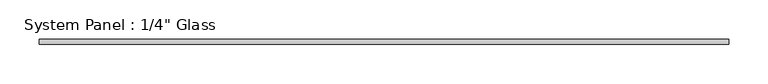
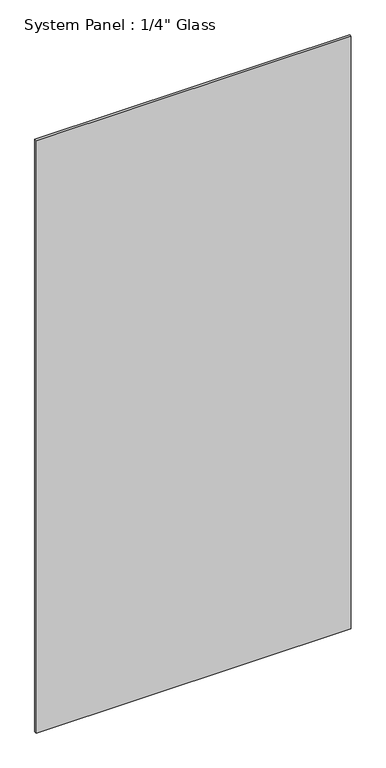
"""IFC4 building model written with IfcOpenShell, lengths in millimetres: plate geometry."""

from ifc_helpers import new_model, si_unit, origin, origin_with_axes, place, context, project, spatial, polyline, outline, extrude, source, transform, mapped, element, save


def plate_467597c5(model_context):
    return source(origin(), model_context, "Body", "SweptSolid", [
        extrude(outline(polyline([(437.8349054, -3.175), (-437.8349054, -3.175), (-437.8349054, 3.175), (437.8349054, 3.175), (437.8349054, -3.175)])), origin_with_axes(), (0.0, 0.0, 1.0), 1739.9),
    ])


if __name__ == "__main__":
    model = new_model("IFC4")
    model_context = context("Model", 3, world=origin())
    ifc_project = project(units=[si_unit("LENGTHUNIT", "METRE", prefix="MILLI")], contexts=[model_context])
    site = spatial("IfcSite", under=ifc_project)
    building = spatial("IfcBuilding", under=site)
    placement = place(None, origin())
    plate_shape = plate_467597c5(model_context)
    element("IfcPlate", 1, ObjectType="System Panel : 1/4\" Glass", at=placement, inside=building, context=model_context, shape_type="MappedRepresentation", body=[
        mapped(plate_shape, transform((0.0, 0.0, 0.0), x_axis=(1.0, 0.0, 0.0), y_axis=(0.0, 1.0, 0.0), z_axis=(0.0, 0.0, 1.0))),
    ])
    save(model, "model.ifc")
